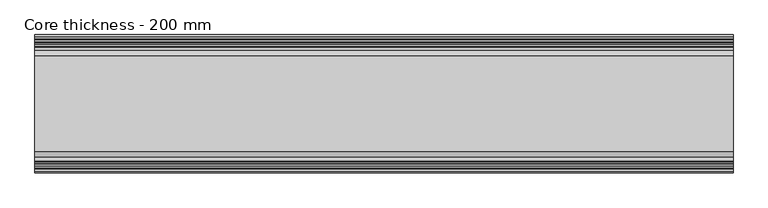
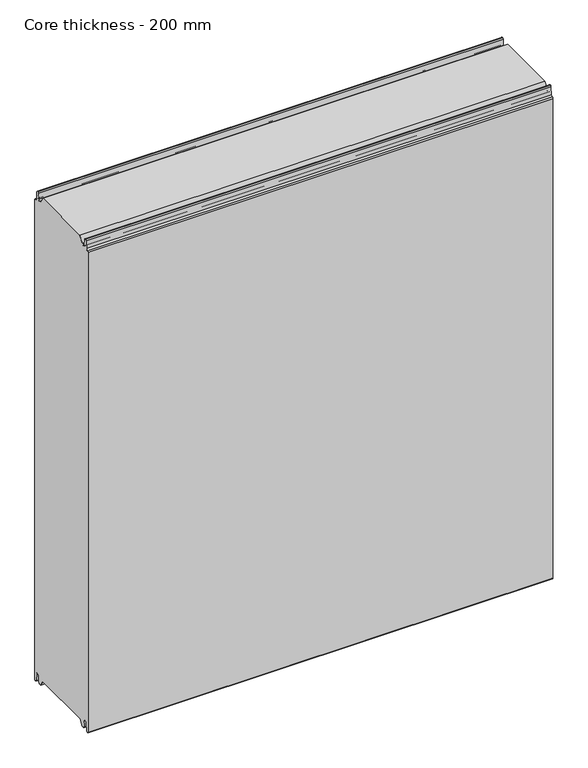
"""IFC4 building model written with IfcOpenShell, lengths in millimetres: plate geometry, Core thickness - 200 mm."""

import ifcopenshell
import ifcopenshell.guid

model = None  # the IFC model being written
_history = None  # IfcOwnerHistory: only IFC2X3 demands one
_inside = {}  # id of a spatial element -> (the spatial element, [elements in it])
_under = {}  # id of a project, library or spatial element -> (it, [spatial elements below it])
_declared = {}  # id of a project -> (the project, [libraries it declares])
_typed = {}  # id of a type object -> (the type object, [elements of that type])
_made_of = {}  # id of a material, layer set ... -> (it, [elements and type objects made of it])


def new_model(schema):
    """Start an empty IFC model of exactly this schema.

    Asked for "IFC4X3", IfcOpenShell would pick the latest addendum, in which some entities
    have other attributes; the version numbers below select the first issue.
    IFC2X3 requires an IfcOwnerHistory on every rooted entity: one is made here for all.
    """
    global model, _history
    if schema == "IFC4X3":
        model = ifcopenshell.file(schema_version=(4, 3, 0, 0))
    else:
        model = ifcopenshell.file(schema=schema)
    _inside.clear()
    _under.clear()
    _declared.clear()
    _typed.clear()
    _made_of.clear()
    _history = None
    if model.schema == "IFC2X3":
        org = make("IfcOrganization", Name="unknown")
        user = make(
            "IfcPersonAndOrganization",
            ThePerson=make("IfcPerson", FamilyName="unknown"),
            TheOrganization=org,
        )
        app = make(
            "IfcApplication",
            ApplicationDeveloper=org,
            Version="unknown",
            ApplicationFullName="unknown",
            ApplicationIdentifier="unknown",
        )
        _history = make(
            "IfcOwnerHistory",
            OwningUser=user,
            OwningApplication=app,
            ChangeAction="ADDED",
            CreationDate=0,
        )
    return model


def make(cls, **values):
    """One entity of the class cls with the attributes given. An attribute that is None is left unset."""
    return model.create_entity(
        cls, **{name: value for name, value in values.items() if value is not None}
    )


def rooted(cls, **values):
    """An entity with a GlobalId (a new one), such as an element, a storey or a relation."""
    return make(cls, GlobalId=ifcopenshell.guid.new(), OwnerHistory=_history, **values)


def si_unit(unit_type, name, prefix=None):
    """IfcSIUnit, for example si_unit("LENGTHUNIT", "METRE", prefix="MILLI")."""
    return make("IfcSIUnit", UnitType=unit_type, Prefix=prefix, Name=name)


def assignment(units):
    """IfcUnitAssignment: the units of a project."""
    return None if units is None else make("IfcUnitAssignment", Units=units)


def point(xyz):
    """IfcCartesianPoint."""
    return None if xyz is None else make("IfcCartesianPoint", Coordinates=xyz)


def direction(xyz):
    """IfcDirection."""
    return None if xyz is None else make("IfcDirection", DirectionRatios=xyz)


def frame(location, z_axis=None, x_axis=None):
    """IfcAxis2Placement3D, a coordinate frame: its origin and axes. An axis left out is left unset."""
    return make(
        "IfcAxis2Placement3D",
        Location=point(location),
        Axis=direction(z_axis),
        RefDirection=direction(x_axis),
    )


def origin():
    """The frame at (0, 0, 0) with its axes left unset."""
    return frame((0.0, 0.0, 0.0))


def place(relative_to, where):
    """IfcLocalPlacement: puts the frame where relative to a parent placement (None: the world)."""
    return make(
        "IfcLocalPlacement", PlacementRelTo=relative_to, RelativePlacement=where
    )


def context(
    kind, dimensions, precision=None, world=None, true_north=None, identifier=None
):
    """IfcGeometricRepresentationContext, for example the 3D "Model" context."""
    return make(
        "IfcGeometricRepresentationContext",
        ContextIdentifier=identifier,
        ContextType=kind,
        CoordinateSpaceDimension=dimensions,
        Precision=precision,
        WorldCoordinateSystem=world,
        TrueNorth=true_north,
    )


def project(units=None, contexts=None):
    """IfcProject with its units and contexts."""
    return rooted(
        "IfcProject",
        Name="project",
        RepresentationContexts=contexts,
        UnitsInContext=assignment(units),
    )


def spatial(cls, under=None, at=None, **own):
    """A site, building, storey or space (cls), placed at a placement, below another one or the project."""
    s = rooted(cls, ObjectPlacement=at, **own)
    if under is not None:
        _under.setdefault(under.id(), (under, []))[1].append(s)
    return s


def polyline(points):
    """IfcPolyline through the points."""
    return make("IfcPolyline", Points=[point(p) for p in points])


def circle_curve(where, radius):
    """IfcCircle in the frame where."""
    return make("IfcCircle", Position=where, Radius=radius)


def shape(context_of_items, identifier, shape_type, items):
    """IfcShapeRepresentation: the items that make up one representation, for example the "Body"."""
    return make(
        "IfcShapeRepresentation",
        ContextOfItems=context_of_items,
        RepresentationIdentifier=identifier,
        RepresentationType=shape_type,
        Items=items,
    )


def source(mapping_origin, context_of_items, identifier, shape_type, items):
    """IfcRepresentationMap: a shape defined once, which mapped items show again and again."""
    return make(
        "IfcRepresentationMap",
        MappingOrigin=mapping_origin,
        MappedRepresentation=shape(context_of_items, identifier, shape_type, items),
    )


def transform(
    local_origin,
    x_axis=None,
    y_axis=None,
    z_axis=None,
    scale=None,
    scale2=None,
    scale3=None,
    uniform=True,
):
    """IfcCartesianTransformationOperator3D, or its non-uniform kind. x_axis, y_axis, z_axis: its Axis1, 2, 3."""
    if uniform:
        return make(
            "IfcCartesianTransformationOperator3D",
            Axis1=direction(x_axis),
            Axis2=direction(y_axis),
            LocalOrigin=point(local_origin),
            Scale=scale,
            Axis3=direction(z_axis),
        )
    return make(
        "IfcCartesianTransformationOperator3DnonUniform",
        Axis1=direction(x_axis),
        Axis2=direction(y_axis),
        LocalOrigin=point(local_origin),
        Scale=scale,
        Axis3=direction(z_axis),
        Scale2=scale2,
        Scale3=scale3,
    )


def mapped(mapping_source, mapping_target):
    """IfcMappedItem: shows the shape of a source again, moved by a transform."""
    return make(
        "IfcMappedItem", MappingSource=mapping_source, MappingTarget=mapping_target
    )


def made_of(thing, what):
    """Note that an element or type object is made of a material, layer set ...; save() writes the relation."""
    if what is not None:
        _made_of.setdefault(what.id(), (what, []))[1].append(thing)
    return thing


def element(
    cls,
    number,
    at=None,
    inside=None,
    cuts=None,
    type_object=None,
    material=None,
    context=None,
    identifier="Body",
    shape_type=None,
    held_by="IfcProductDefinitionShape",
    body=None,
    shapes=None,
    **own,
):
    """One element of the class cls, such as IfcWall. Its Tag is "e" and its number.

    at: its placement. inside: the storey or other place that contains it. cuts: it is an
    opening in that element (IfcRelVoidsElement). A single representation is given by context,
    identifier, shape_type and body (its items); several are given by shapes. held_by: the class
    of the entity that holds the representations. save() writes the other relations.
    """
    e = rooted(cls, Tag="e%d" % number, ObjectPlacement=at, **own)
    if body is not None:
        shapes = [shape(context, identifier, shape_type, body)]
    if shapes is not None:
        e.Representation = make(held_by, Representations=shapes)
    if inside is not None:
        _inside.setdefault(inside.id(), (inside, []))[1].append(e)
    if cuts is not None:
        rooted(
            "IfcRelVoidsElement", RelatingBuildingElement=cuts, RelatedOpeningElement=e
        )
    if type_object is not None:
        _typed.setdefault(type_object.id(), (type_object, []))[1].append(e)
    return made_of(e, material)


def aggregate(whole, parts):
    """IfcRelAggregates: a whole, such as a stair, and the parts it consists of."""
    return rooted("IfcRelAggregates", RelatingObject=whole, RelatedObjects=parts)


def save(model, path):
    """Write the relations noted so far, then the file.

    IfcRelAggregates (storeys below a building ...), IfcRelContainedInSpatialStructure (elements
    in a storey), IfcRelDefinesByType, IfcRelAssociatesMaterial and IfcRelDeclares: one each for
    every whole, place, type object, material and project.
    """
    for whole, parts in _under.values():
        aggregate(whole, parts)
    for where, things in _inside.values():
        rooted(
            "IfcRelContainedInSpatialStructure",
            RelatedElements=things,
            RelatingStructure=where,
        )
    for kind, things in _typed.values():
        rooted("IfcRelDefinesByType", RelatedObjects=things, RelatingType=kind)
    for what, things in _made_of.values():
        rooted("IfcRelAssociatesMaterial", RelatedObjects=things, RelatingMaterial=what)
    for by, libraries in _declared.values():
        rooted("IfcRelDeclares", RelatingContext=by, RelatedDefinitions=libraries)
    model.write(path)


def plane_surface(at):
    """IfcPlane: the flat surface through the origin of the frame at, square to its z axis."""
    return make("IfcPlane", Position=at)


def cylinder_surface(at, radius):
    """IfcCylindricalSurface: all points at the distance radius from the z axis of the frame at."""
    return make("IfcCylindricalSurface", Position=at, Radius=radius)


def revolved_surface(curve, axis_point, axis_direction):
    """IfcSurfaceOfRevolution: the curve turned about the line through axis_point along axis_direction."""
    return make(
        "IfcSurfaceOfRevolution",
        SweptCurve=make("IfcArbitraryOpenProfileDef", ProfileType="CURVE", Curve=curve),
        AxisPosition=make("IfcAxis1Placement", Location=point(axis_point), Axis=direction(axis_direction)),
    )


def advanced_brep(points, edges, surfaces, faces):
    """IfcAdvancedBrep: a solid bounded by faces that lie on surfaces and meet in shared edges.

    An edge is (start, end): straight between two places in points (the first is 0);
    or (start, end, curve); or (start, end, curve, False) where it runs against its curve.
    A face is (place in surfaces, loops), or (place, loops, False) where it looks against
    its surface's normal. A loop lists edges by number (the first is 1), with a minus sign
    where the edge is run from its end to its start. The first loop is the outer one.
    """
    corners = [point(p) for p in points]
    vertices = [make("IfcVertexPoint", VertexGeometry=c) for c in corners]
    made = []
    for start, end, *more in edges:
        made.append(
            make(
                "IfcEdgeCurve",
                EdgeStart=vertices[start],
                EdgeEnd=vertices[end],
                EdgeGeometry=more[0] if more else make("IfcPolyline", Points=[corners[start], corners[end]]),
                SameSense=more[1] if len(more) > 1 else True,
            )
        )
    hull = []
    for where, loops, *sense in faces:
        bounds = []
        for j, loop in enumerate(loops):
            ring = [make("IfcOrientedEdge", EdgeElement=made[abs(k) - 1], Orientation=k > 0) for k in loop]
            bounds.append(
                make(
                    "IfcFaceOuterBound" if j == 0 else "IfcFaceBound",
                    Bound=make("IfcEdgeLoop", EdgeList=ring),
                    Orientation=True,
                )
            )
        hull.append(make("IfcAdvancedFace", Bounds=bounds, FaceSurface=surfaces[where], SameSense=sense[0] if sense else True))
    return make("IfcAdvancedBrep", Outer=make("IfcClosedShell", CfsFaces=hull))


def core_thickness_200_mm_b2f152c4(model_context):
    return source(origin(), model_context, "Body", "AdvancedBrep", [
        advanced_brep(
        [(500.0000002, -169.873448, 15.0417681), (500.0000002, -30.126552, 15.0417681), (500.0000002, -23.4086055, 3.0684055), (500.0000002, -17.4169005, 3.0684055), (500.0000002, -19.6169005, 5.265779), (500.0000002, -18.8169005, 5.265779), (500.0000002, -16.0235822, 5.1291629), (500.0000002, -14.6379549, 19.2608832), (500.0000002, -10.8223285, 22.6899182), (500.0000002, -7.0067021, 19.2608832), (500.0000002, -5.3893281, 2.7656275), (500.0000002, -0.8003051, 2.9900682), (500.0000002, -0.8, 1093.8000005), (500.0000002, -3.3660185, 1096.1942726), (500.0000002, -6.8790665, 1099.1779769), (500.0000002, -8.5415667, 1116.1334653), (500.0000002, -10.8223285, 1118.1999998), (500.0000002, -13.1030903, 1116.1334653), (500.0000002, -14.4357929, 1102.5415123), (500.0000002, -17.0233841, 1100.1952279), (500.0000002, -18.1003051, 1100.1952279), (500.0000002, -18.7003051, 1099.5952279), (500.0000002, -18.7003051, 1098.4952279), (500.0000002, -19.5003051, 1098.4952279), (500.0000002, -19.5003051, 1099.5952279), (500.0000002, -18.1003051, 1100.9952279), (500.0000002, -19.5003051, 1100.9952279), (500.0000002, -23.1062917, 1100.9952279), (500.0000002, -31.1628062, 1115.044651), (500.0000002, -168.7531937, 1115.044651), (500.0000002, -176.8937083, 1100.9952279), (500.0000002, -180.4996949, 1100.9952279), (500.0000002, -181.8996949, 1100.9952279), (500.0000002, -180.4996949, 1099.5952279), (500.0000002, -180.4996949, 1098.4952279), (500.0000002, -181.2996949, 1098.4952279), (500.0000002, -181.2996949, 1099.5952279), (500.0000002, -181.8996949, 1100.1952279), (500.0000002, -182.9766159, 1100.1952279), (500.0000002, -185.5642071, 1102.5415123), (500.0000002, -186.8969097, 1116.1334653), (500.0000002, -189.1776715, 1118.1999998), (500.0000002, -191.4584333, 1116.1334653), (500.0000002, -193.1209335, 1099.1779769), (500.0000002, -196.6330399, 1096.2078763), (500.0000002, -199.1996949, 1093.8000005), (500.0000002, -199.2, 2.9900682), (500.0000002, -194.6106719, 2.7656275), (500.0000002, -192.9932979, 19.2608832), (500.0000002, -189.1776715, 22.6899182), (500.0000002, -185.3620451, 19.2608832), (500.0000002, -183.9764178, 5.1291629), (500.0000002, -181.1830995, 5.265779), (500.0000002, -180.3830995, 5.265779), (500.0000002, -182.5830995, 3.065779), (500.0000002, -176.5913945, 3.0684055), (-500.0000002, -176.8937083, 1100.9952279), (-500.0000002, -168.7531937, 1115.044651), (-500.0000002, -31.1628062, 1115.044651), (-500.0000002, -23.1062917, 1100.9952279), (-500.0000002, -19.5003051, 1100.9952279), (-500.0000002, -18.1003051, 1100.9952279), (-500.0000002, -19.5003051, 1099.5952279), (-500.0000002, -19.5003051, 1098.4952279), (-500.0000002, -18.7003051, 1098.4952279), (-500.0000002, -18.7003051, 1099.5952279), (-500.0000002, -18.1003051, 1100.1952279), (-500.0000002, -17.0233841, 1100.1952279), (-500.0000002, -14.4357929, 1102.5415123), (-500.0000002, -13.1030903, 1116.1334653), (-500.0000002, -10.8223285, 1118.1999998), (-500.0000002, -8.5415667, 1116.1334653), (-500.0000002, -6.8790665, 1099.1779769), (-500.0000002, -3.3669601, 1096.2078763), (-500.0000002, -0.8003051, 1093.8000005), (-500.0000002, -0.8, 2.9900682), (-500.0000002, -5.3893281, 2.7656275), (-500.0000002, -7.0067021, 19.2608832), (-500.0000002, -10.8223285, 22.6899182), (-500.0000002, -14.6379549, 19.2608832), (-500.0000002, -16.0235822, 5.1291629), (-500.0000002, -18.8169005, 5.265779), (-500.0000002, -19.6169005, 5.265779), (-500.0000002, -17.4169005, 3.065779), (-500.0000002, -23.4086055, 3.0684055), (-500.0000002, -30.126552, 15.0417681), (-500.0000002, -169.873448, 15.0417681), (-500.0000002, -176.5913945, 3.0684055), (-500.0000002, -182.5830995, 3.0684055), (-500.0000002, -180.3830995, 5.265779), (-500.0000002, -181.1830995, 5.265779), (-500.0000002, -183.9764178, 5.1291629), (-500.0000002, -185.3620451, 19.2608832), (-500.0000002, -189.1776715, 22.6899182), (-500.0000002, -192.9932979, 19.2608832), (-500.0000002, -194.6106719, 2.7656275), (-500.0000002, -199.1996949, 2.9900682), (-500.0000002, -199.2, 1093.8000005), (-500.0000002, -196.6339815, 1096.1942726), (-500.0000002, -193.1209335, 1099.1779769), (-500.0000002, -191.4584333, 1116.1334653), (-500.0000002, -189.1776715, 1118.1999998), (-500.0000002, -186.8969097, 1116.1334653), (-500.0000002, -185.5642071, 1102.5415123), (-500.0000002, -182.9766159, 1100.1952279), (-500.0000002, -181.8996949, 1100.1952279), (-500.0000002, -181.2996949, 1099.5952279), (-500.0000002, -181.2996949, 1098.4952279), (-500.0000002, -180.4996949, 1098.4952279), (-500.0000002, -180.4996949, 1099.5952279), (-500.0000002, -181.8996949, 1100.9952279), (-500.0000002, -180.4996949, 1100.9952279)],
        [
            (0, 1),
            (1, 2),
            (2, 3),
            (3, 4, circle_curve(frame((500.0000002, -17.4169005, 5.265779), z_axis=(-1.0, 0.0, 0.0), x_axis=(0.0, 0.0, -1.0)), 2.2)),
            (4, 5),
            (5, 6, circle_curve(frame((500.0000002, -17.4169005, 5.265779), z_axis=(1.0, 0.0, 0.0), x_axis=(0.0, 0.0, -1.0)), 1.4)),
            (6, 7),
            (7, 8, circle_curve(frame((500.0000002, -10.8560907, 18.8900682), z_axis=(-1.0, 0.0, 0.0), x_axis=(0.0, 0.0, -1.0)), 3.8)),
            (8, 9, circle_curve(frame((500.0000002, -10.7885662, 18.8900682), z_axis=(-1.0, 0.0, 0.0), x_axis=(0.0, 0.0, -1.0)), 3.8)),
            (9, 10),
            (10, 11, circle_curve(frame((500.0000002, -3.1003051, 2.9900682), z_axis=(1.0, 0.0, 0.0), x_axis=(0.0, 0.0, -1.0)), 2.3)),
            (11, 12),
            (12, 13, circle_curve(frame((500.0000002, -3.2003051, 1093.8000005), z_axis=(1.0, 0.0, 0.0), x_axis=(0.0, 0.0, -1.0)), 2.4)),
            (13, 14, circle_curve(frame((500.0000002, -3.5948161, 1099.5000005), z_axis=(-1.0, 0.0, 0.0), x_axis=(0.0, 0.0, -1.0)), 3.3)),
            (14, 15),
            (15, 16, circle_curve(frame((500.0000002, -10.8206374, 1115.9100005), z_axis=(1.0, 0.0, 0.0), x_axis=(0.0, 0.0, -1.0)), 2.29)),
            (16, 17, circle_curve(frame((500.0000002, -10.8240195, 1115.9100005), z_axis=(1.0, 0.0, 0.0), x_axis=(0.0, 0.0, -1.0)), 2.29)),
            (17, 18),
            (18, 19, circle_curve(frame((500.0000002, -17.0233841, 1102.7952279), z_axis=(-1.0, 0.0, 0.0), x_axis=(0.0, 0.0, -1.0)), 2.6)),
            (19, 20),
            (20, 21, circle_curve(frame((500.0000002, -18.1003051, 1099.5952279), z_axis=(1.0, 0.0, 0.0), x_axis=(0.0, 0.0, -1.0)), 0.6)),
            (21, 22),
            (22, 23),
            (23, 24),
            (24, 25, circle_curve(frame((500.0000002, -18.1003051, 1099.5952279), z_axis=(-1.0, 0.0, 0.0), x_axis=(0.0, 0.0, -1.0)), 1.4)),
            (25, 26),
            (26, 27),
            (27, 28),
            (28, 29),
            (29, 30),
            (30, 31),
            (31, 32),
            (32, 33, circle_curve(frame((500.0000002, -181.8996949, 1099.5952279), z_axis=(-1.0, 0.0, 0.0), x_axis=(0.0, 0.0, -1.0)), 1.4)),
            (33, 34),
            (34, 35),
            (35, 36),
            (36, 37, circle_curve(frame((500.0000002, -181.8996949, 1099.5952279), z_axis=(1.0, 0.0, 0.0), x_axis=(0.0, 0.0, -1.0)), 0.6)),
            (37, 38),
            (38, 39, circle_curve(frame((500.0000002, -182.9766159, 1102.7952279), z_axis=(-1.0, 0.0, 0.0), x_axis=(0.0, 0.0, -1.0)), 2.6)),
            (39, 40),
            (40, 41, circle_curve(frame((500.0000002, -189.1759805, 1115.9100005), z_axis=(1.0, 0.0, 0.0), x_axis=(0.0, 0.0, -1.0)), 2.29)),
            (41, 42, circle_curve(frame((500.0000002, -189.1793626, 1115.9100005), z_axis=(1.0, 0.0, 0.0), x_axis=(0.0, 0.0, -1.0)), 2.29)),
            (42, 43),
            (43, 44, circle_curve(frame((500.0000002, -196.4051839, 1099.5000005), z_axis=(-1.0, 0.0, 0.0), x_axis=(0.0, 0.0, -1.0)), 3.3)),
            (44, 45, circle_curve(frame((500.0000002, -196.7996949, 1093.8000005), z_axis=(1.0, 0.0, 0.0), x_axis=(0.0, 0.0, -1.0)), 2.4)),
            (45, 46),
            (46, 47, circle_curve(frame((500.0000002, -196.8996949, 2.9900682), z_axis=(1.0, 0.0, 0.0), x_axis=(0.0, 0.0, -1.0)), 2.3)),
            (47, 48),
            (48, 49, circle_curve(frame((500.0000002, -189.2114338, 18.8900682), z_axis=(-1.0, 0.0, 0.0), x_axis=(0.0, 0.0, -1.0)), 3.8)),
            (49, 50, circle_curve(frame((500.0000002, -189.1439093, 18.8900682), z_axis=(-1.0, 0.0, 0.0), x_axis=(0.0, 0.0, -1.0)), 3.8)),
            (50, 51),
            (51, 52, circle_curve(frame((500.0000002, -182.5830995, 5.265779), z_axis=(1.0, 0.0, 0.0), x_axis=(0.0, 0.0, -1.0)), 1.4)),
            (52, 53),
            (53, 54, circle_curve(frame((500.0000002, -182.5830995, 5.265779), z_axis=(-1.0, 0.0, 0.0), x_axis=(0.0, 0.0, -1.0)), 2.2)),
            (54, 55),
            (55, 0),
            (56, 57),
            (57, 58),
            (58, 59),
            (59, 60),
            (60, 61),
            (61, 62, circle_curve(frame((-500.0000002, -18.1003051, 1099.5952279), z_axis=(1.0, 0.0, 0.0), x_axis=(0.0, 0.0, -1.0)), 1.4)),
            (62, 63),
            (63, 64),
            (64, 65),
            (65, 66, circle_curve(frame((-500.0000002, -18.1003051, 1099.5952279), z_axis=(-1.0, 0.0, 0.0), x_axis=(0.0, 0.0, -1.0)), 0.6)),
            (66, 67),
            (67, 68, circle_curve(frame((-500.0000002, -17.0233841, 1102.7952279), z_axis=(1.0, 0.0, 0.0), x_axis=(0.0, 0.0, -1.0)), 2.6)),
            (68, 69),
            (69, 70, circle_curve(frame((-500.0000002, -10.8240195, 1115.9100005), z_axis=(-1.0, 0.0, 0.0), x_axis=(0.0, 0.0, -1.0)), 2.29)),
            (70, 71, circle_curve(frame((-500.0000002, -10.8206374, 1115.9100005), z_axis=(-1.0, 0.0, 0.0), x_axis=(0.0, 0.0, -1.0)), 2.29)),
            (71, 72),
            (72, 73, circle_curve(frame((-500.0000002, -3.5948161, 1099.5000005), z_axis=(1.0, 0.0, 0.0), x_axis=(0.0, 0.0, -1.0)), 3.3)),
            (73, 74, circle_curve(frame((-500.0000002, -3.2003051, 1093.8000005), z_axis=(-1.0, 0.0, 0.0), x_axis=(0.0, 0.0, -1.0)), 2.4)),
            (74, 75),
            (75, 76, circle_curve(frame((-500.0000002, -3.1003051, 2.9900682), z_axis=(-1.0, 0.0, 0.0), x_axis=(0.0, 0.0, -1.0)), 2.3)),
            (76, 77),
            (77, 78, circle_curve(frame((-500.0000002, -10.7885662, 18.8900682), z_axis=(1.0, 0.0, 0.0), x_axis=(0.0, 0.0, -1.0)), 3.8)),
            (78, 79, circle_curve(frame((-500.0000002, -10.8560907, 18.8900682), z_axis=(1.0, 0.0, 0.0), x_axis=(0.0, 0.0, -1.0)), 3.8)),
            (79, 80),
            (80, 81, circle_curve(frame((-500.0000002, -17.4169005, 5.265779), z_axis=(-1.0, 0.0, 0.0), x_axis=(0.0, 0.0, -1.0)), 1.4)),
            (81, 82),
            (82, 83, circle_curve(frame((-500.0000002, -17.4169005, 5.265779), z_axis=(1.0, 0.0, 0.0), x_axis=(0.0, 0.0, -1.0)), 2.2)),
            (83, 84),
            (84, 85),
            (85, 86),
            (86, 87),
            (87, 88),
            (88, 89, circle_curve(frame((-500.0000002, -182.5830995, 5.265779), z_axis=(1.0, 0.0, 0.0), x_axis=(0.0, 0.0, -1.0)), 2.2)),
            (89, 90),
            (90, 91, circle_curve(frame((-500.0000002, -182.5830995, 5.265779), z_axis=(-1.0, 0.0, 0.0), x_axis=(0.0, 0.0, -1.0)), 1.4)),
            (91, 92),
            (92, 93, circle_curve(frame((-500.0000002, -189.1439093, 18.8900682), z_axis=(1.0, 0.0, 0.0), x_axis=(0.0, 0.0, -1.0)), 3.8)),
            (93, 94, circle_curve(frame((-500.0000002, -189.2114338, 18.8900682), z_axis=(1.0, 0.0, 0.0), x_axis=(0.0, 0.0, -1.0)), 3.8)),
            (94, 95),
            (95, 96, circle_curve(frame((-500.0000002, -196.8996949, 2.9900682), z_axis=(-1.0, 0.0, 0.0), x_axis=(0.0, 0.0, -1.0)), 2.3)),
            (96, 97),
            (97, 98, circle_curve(frame((-500.0000002, -196.7996949, 1093.8000005), z_axis=(-1.0, 0.0, 0.0), x_axis=(0.0, 0.0, -1.0)), 2.4)),
            (98, 99, circle_curve(frame((-500.0000002, -196.4051839, 1099.5000005), z_axis=(1.0, 0.0, 0.0), x_axis=(0.0, 0.0, -1.0)), 3.3)),
            (99, 100),
            (100, 101, circle_curve(frame((-500.0000002, -189.1793626, 1115.9100005), z_axis=(-1.0, 0.0, 0.0), x_axis=(0.0, 0.0, -1.0)), 2.29)),
            (101, 102, circle_curve(frame((-500.0000002, -189.1759805, 1115.9100005), z_axis=(-1.0, 0.0, 0.0), x_axis=(0.0, 0.0, -1.0)), 2.29)),
            (102, 103),
            (103, 104, circle_curve(frame((-500.0000002, -182.9766159, 1102.7952279), z_axis=(1.0, 0.0, 0.0), x_axis=(0.0, 0.0, -1.0)), 2.6)),
            (104, 105),
            (105, 106, circle_curve(frame((-500.0000002, -181.8996949, 1099.5952279), z_axis=(-1.0, 0.0, 0.0), x_axis=(0.0, 0.0, -1.0)), 0.6)),
            (106, 107),
            (107, 108),
            (108, 109),
            (109, 110, circle_curve(frame((-500.0000002, -181.8996949, 1099.5952279), z_axis=(1.0, 0.0, 0.0), x_axis=(0.0, 0.0, -1.0)), 1.4)),
            (110, 111),
            (111, 56),
            (30, 56),
            (110, 32),
            (29, 57),
            (28, 58),
            (27, 59),
            (25, 61),
            (1, 85),
            (84, 2),
            (0, 86),
            (55, 87),
            (83, 3),
            (54, 88),
            (109, 33),
            (108, 34),
            (107, 35),
            (106, 36),
            (105, 37),
            (104, 38),
            (103, 39),
            (102, 40),
            (101, 41),
            (100, 42),
            (99, 43),
            (98, 44),
            (97, 45),
            (96, 46),
            (95, 47),
            (94, 48),
            (93, 49),
            (92, 50),
            (91, 51),
            (90, 52),
            (89, 53),
            (74, 12),
            (11, 75),
            (73, 13),
            (72, 14),
            (71, 15),
            (70, 16),
            (69, 17),
            (68, 18),
            (67, 19),
            (66, 20),
            (65, 21),
            (64, 22),
            (63, 23),
            (62, 24),
            (82, 4),
            (81, 5),
            (80, 6),
            (79, 7),
            (78, 8),
            (77, 9),
            (76, 10),
        ],
        [
            plane_surface(frame((500.0000002, 0.0, 0.0), z_axis=(1.0, 0.0, 0.0), x_axis=(0.0, -1.0, 0.0))),
            plane_surface(frame((-500.0000002, 0.0, 0.0), z_axis=(-1.0, 0.0, 0.0), x_axis=(0.0, -1.0, 0.0))),
            plane_surface(frame((500.0000002, -176.8937083, 1100.9952279), z_axis=(0.0, 0.0, 1.0), x_axis=(-1.0, 0.0, 0.0))),
            plane_surface(frame((500.0000002, -168.7531937, 1115.044651), z_axis=(0.0, -0.8652489672717159, 0.5013424225369615), x_axis=(-1.0, 0.0, 0.0))),
            plane_surface(frame((500.0000002, -31.1628062, 1115.044651), z_axis=(0.0, 0.0, 1.0), x_axis=(-1.0, 0.0, 0.0))),
            plane_surface(frame((500.0000002, -23.1062917, 1100.9952279), z_axis=(0.0, 0.8674901459133322, 0.4974543664933155), x_axis=(-1.0, 0.0, 0.0))),
            plane_surface(frame((500.0000002, -17.0229218, 1100.9952279), z_axis=(0.0, 0.0, 1.0), x_axis=(-1.0, 0.0, 0.0))),
            plane_surface(frame((500.0000002, -30.126552, 15.0417681), z_axis=(0.0, -0.8721062992196836, -0.4893164649399687), x_axis=(-1.0, 0.0, 0.0))),
            plane_surface(frame((500.0000002, -169.873448, 15.0417681), z_axis=(0.0, 0.0, -1.0), x_axis=(-1.0, 0.0, 0.0))),
            plane_surface(frame((500.0000002, -176.8190247, 2.6627014), z_axis=(0.0, 0.8721062992196872, -0.4893164649399624), x_axis=(-1.0, 0.0, 0.0))),
            plane_surface(frame((-500.0000002, -182.5830995, 3.0684055), z_axis=(0.0, 0.0, -1.0), x_axis=(1.0, 0.0, 0.0))),
            revolved_surface(polyline([(500.0000002, -181.8996949, 1098.1952279), (-500.00000020000004, -181.8996949, 1098.1952279)]), (630.0000002, -181.8996949, 1099.5952279), (1.0, 0.0, 0.0)),
            plane_surface(frame((630.0000002, -180.4996949, 1098.4952279), z_axis=(0.0, -1.0, 0.0), x_axis=(-1.0, 0.0, 0.0))),
            plane_surface(frame((630.0000002, -181.2996949, 1098.4952279), z_axis=(0.0, 0.0, 1.0), x_axis=(-1.0, 0.0, 0.0))),
            plane_surface(frame((630.0000002, -181.2996949, 1099.5952279), z_axis=(0.0, 1.0, 0.0), x_axis=(-1.0, 0.0, 0.0))),
            cylinder_surface(frame((630.0000002, -181.8996949, 1099.5952279), z_axis=(-1.0, 0.0, 0.0), x_axis=(0.0, 0.0, -1.0)), 0.6),
            plane_surface(frame((630.0000002, -182.9766159, 1100.1952279), z_axis=(0.0, 0.0, 1.0), x_axis=(-1.0, 0.0, 0.0))),
            revolved_surface(polyline([(500.0000002, -182.9766159, 1100.1952279000002), (-500.00000020000004, -182.9766159, 1100.1952279000002)]), (630.0000002, -182.9766159, 1102.7952279), (1.0, 0.0, 0.0)),
            plane_surface(frame((630.0000002, -186.8969097, 1116.1334653), z_axis=(0.0, 0.9952273999818314, 0.09758289975914705), x_axis=(-1.0, 0.0, 0.0))),
            cylinder_surface(frame((630.0000002, -189.1759805, 1115.9100005), z_axis=(-1.0, 0.0, 0.0), x_axis=(0.0, 0.0, -1.0)), 2.29),
            cylinder_surface(frame((630.0000002, -189.1793626, 1115.9100005), z_axis=(-1.0, 0.0, 0.0), x_axis=(0.0, 0.0, -1.0)), 2.29),
            plane_surface(frame((630.0000002, -193.1209335, 1099.1779769), z_axis=(0.0, -0.9952273999818317, 0.09758289975914436), x_axis=(-1.0, 0.0, 0.0))),
            revolved_surface(polyline([(500.0000002, -196.4051839, 1096.2000005), (-500.00000020000004, -196.4051839, 1096.2000005)]), (630.0000002, -196.4051839, 1099.5000005), (1.0, 0.0, 0.0)),
            cylinder_surface(frame((630.0000002, -196.7996949, 1093.8000005), z_axis=(-1.0, 0.0, 0.0), x_axis=(0.0, 0.0, -1.0)), 2.4),
            plane_surface(frame((630.0000002, -199.2, 2.9900682), z_axis=(0.0, -1.0, 0.0), x_axis=(-1.0, 0.0, 0.0))),
            cylinder_surface(frame((630.0000002, -196.8996949, 2.9900682), z_axis=(-1.0, 0.0, 0.0), x_axis=(0.0, 0.0, -1.0)), 2.3),
            plane_surface(frame((630.0000002, -192.9932979, 19.2608832), z_axis=(0.0, 0.9952273999818314, -0.09758289975914787), x_axis=(-1.0, 0.0, 0.0))),
            revolved_surface(polyline([(500.0000002, -189.2114338, 15.090068200000001), (-500.00000020000004, -189.2114338, 15.090068200000001)]), (630.0000002, -189.2114338, 18.8900682), (1.0, 0.0, 0.0)),
            revolved_surface(polyline([(500.0000002, -189.1439093, 15.090068200000001), (-500.00000020000004, -189.1439093, 15.090068200000001)]), (630.0000002, -189.1439093, 18.8900682), (1.0, 0.0, 0.0)),
            plane_surface(frame((630.0000002, -183.9764178, 5.1291629), z_axis=(0.0, -0.9952273999818297, -0.09758289975916531), x_axis=(-1.0, 0.0, 0.0))),
            cylinder_surface(frame((630.0000002, -182.5830995, 5.265779), z_axis=(-1.0, 0.0, 0.0), x_axis=(0.0, 0.0, -1.0)), 1.4),
            plane_surface(frame((630.0000002, -180.3830995, 5.265779), z_axis=(0.0, 0.0, -1.0), x_axis=(-1.0, 0.0, 0.0))),
            revolved_surface(polyline([(500.0000002, -182.5830995, 3.065779), (-500.00000020000004, -182.5830995, 3.065779)]), (630.0000002, -182.5830995, 5.265779), (1.0, 0.0, 0.0)),
            plane_surface(frame((630.0000002, -0.8, 1093.8000005), z_axis=(0.0, 1.0, 0.0), x_axis=(-1.0, 0.0, 0.0))),
            cylinder_surface(frame((630.0000002, -3.2003051, 1093.8000005), z_axis=(-1.0, 0.0, 0.0), x_axis=(0.0, 0.0, -1.0)), 2.4),
            revolved_surface(polyline([(500.0000002, -3.5948161, 1096.2000005), (-500.00000020000004, -3.5948161, 1096.2000005)]), (630.0000002, -3.5948161, 1099.5000005), (1.0, 0.0, 0.0)),
            plane_surface(frame((630.0000002, -8.5415667, 1116.1334653), z_axis=(0.0, 0.9952273999818317, 0.09758289975914436), x_axis=(-1.0, 0.0, 0.0))),
            cylinder_surface(frame((630.0000002, -10.8206374, 1115.9100005), z_axis=(-1.0, 0.0, 0.0), x_axis=(0.0, 0.0, -1.0)), 2.29),
            cylinder_surface(frame((630.0000002, -10.8240195, 1115.9100005), z_axis=(-1.0, 0.0, 0.0), x_axis=(0.0, 0.0, -1.0)), 2.29),
            plane_surface(frame((630.0000002, -14.4357929, 1102.5415123), z_axis=(0.0, -0.9952273999818314, 0.09758289975914705), x_axis=(-1.0, 0.0, 0.0))),
            revolved_surface(polyline([(500.0000002, -17.0233841, 1100.1952279000002), (-500.00000020000004, -17.0233841, 1100.1952279000002)]), (630.0000002, -17.0233841, 1102.7952279), (1.0, 0.0, 0.0)),
            plane_surface(frame((630.0000002, -18.1003051, 1100.1952279), z_axis=(0.0, 0.0, 1.0), x_axis=(-1.0, 0.0, 0.0))),
            cylinder_surface(frame((630.0000002, -18.1003051, 1099.5952279), z_axis=(-1.0, 0.0, 0.0), x_axis=(0.0, 0.0, -1.0)), 0.6),
            plane_surface(frame((630.0000002, -18.7003051, 1098.4952279), z_axis=(0.0, -1.0, 0.0), x_axis=(-1.0, 0.0, 0.0))),
            plane_surface(frame((630.0000002, -19.5003051, 1098.4952279), z_axis=(0.0, 0.0, 1.0), x_axis=(-1.0, 0.0, 0.0))),
            plane_surface(frame((630.0000002, -19.5003051, 1099.5952279), z_axis=(0.0, 1.0, 0.0), x_axis=(-1.0, 0.0, 0.0))),
            revolved_surface(polyline([(500.0000002, -18.1003051, 1098.1952279), (-500.00000020000004, -18.1003051, 1098.1952279)]), (630.0000002, -18.1003051, 1099.5952279), (1.0, 0.0, 0.0)),
            revolved_surface(polyline([(500.0000002, -17.4169005, 3.065779), (-500.00000020000004, -17.4169005, 3.065779)]), (630.0000002, -17.4169005, 5.265779), (1.0, 0.0, 0.0)),
            plane_surface(frame((630.0000002, -18.8169005, 5.265779), z_axis=(0.0, 0.0, -1.0), x_axis=(-1.0, 0.0, 0.0))),
            cylinder_surface(frame((630.0000002, -17.4169005, 5.265779), z_axis=(-1.0, 0.0, 0.0), x_axis=(0.0, 0.0, -1.0)), 1.4),
            plane_surface(frame((630.0000002, -14.6379549, 19.2608832), z_axis=(0.0, 0.9952273999818297, -0.09758289975916531), x_axis=(-1.0, 0.0, 0.0))),
            revolved_surface(polyline([(500.0000002, -10.8560907, 15.090068200000001), (-500.00000020000004, -10.8560907, 15.090068200000001)]), (630.0000002, -10.8560907, 18.8900682), (1.0, 0.0, 0.0)),
            revolved_surface(polyline([(500.0000002, -10.7885662, 15.090068200000001), (-500.00000020000004, -10.7885662, 15.090068200000001)]), (630.0000002, -10.7885662, 18.8900682), (1.0, 0.0, 0.0)),
            plane_surface(frame((630.0000002, -5.3893281, 2.7656275), z_axis=(0.0, -0.9952273999818314, -0.09758289975914787), x_axis=(-1.0, 0.0, 0.0))),
            cylinder_surface(frame((630.0000002, -3.1003051, 2.9900682), z_axis=(-1.0, 0.0, 0.0), x_axis=(0.0, 0.0, -1.0)), 2.3),
        ],
        [
            (0, [[1, 2, 3, 4, 5, 6, 7, 8, 9, 10, 11, 12, 13, 14, 15, 16, 17, 18, 19, 20, 21, 22, 23, 24, 25, 26, 27, 28, 29, 30, 31, 32, 33, 34, 35, 36, 37, 38, 39, 40, 41, 42, 43, 44, 45, 46, 47, 48, 49, 50, 51, 52, 53, 54, 55, 56]]),
            (1, [[57, 58, 59, 60, 61, 62, 63, 64, 65, 66, 67, 68, 69, 70, 71, 72, 73, 74, 75, 76, 77, 78, 79, 80, 81, 82, 83, 84, 85, 86, 87, 88, 89, 90, 91, 92, 93, 94, 95, 96, 97, 98, 99, 100, 101, 102, 103, 104, 105, 106, 107, 108, 109, 110, 111, 112]]),
            (2, [[113, -112, -111, 114, -32, -31]]),
            (3, [[-30, 115, -57, -113]]),
            (4, [[-29, 116, -58, -115]]),
            (5, [[-28, 117, -59, -116]]),
            (6, [[-117, -27, -26, 118, -61, -60]]),
            (7, [[119, -85, 120, -2]]),
            (8, [[-1, 121, -86, -119]]),
            (9, [[-121, -56, 122, -87]]),
            (10, [[-3, -120, -84, 123]]),
            (10, [[-55, 124, -88, -122]]),
            (11, [[125, -33, -114, -110]]),
            (12, [[-125, -109, 126, -34]]),
            (13, [[-126, -108, 127, -35]]),
            (14, [[-127, -107, 128, -36]]),
            (15, [[-128, -106, 129, -37]]),
            (16, [[-129, -105, 130, -38]]),
            (17, [[-130, -104, 131, -39]]),
            (18, [[-131, -103, 132, -40]]),
            (19, [[-132, -102, 133, -41]]),
            (20, [[-133, -101, 134, -42]]),
            (21, [[-134, -100, 135, -43]]),
            (22, [[-135, -99, 136, -44]]),
            (23, [[-136, -98, 137, -45]]),
            (24, [[-137, -97, 138, -46]]),
            (25, [[-138, -96, 139, -47]]),
            (26, [[-139, -95, 140, -48]]),
            (27, [[-140, -94, 141, -49]]),
            (28, [[-141, -93, 142, -50]]),
            (29, [[-142, -92, 143, -51]]),
            (30, [[-143, -91, 144, -52]]),
            (31, [[-144, -90, 145, -53]]),
            (32, [[-145, -89, -124, -54]]),
            (33, [[146, -12, 147, -75]]),
            (34, [[-146, -74, 148, -13]]),
            (35, [[-148, -73, 149, -14]]),
            (36, [[-149, -72, 150, -15]]),
            (37, [[-150, -71, 151, -16]]),
            (38, [[-151, -70, 152, -17]]),
            (39, [[-152, -69, 153, -18]]),
            (40, [[-153, -68, 154, -19]]),
            (41, [[-154, -67, 155, -20]]),
            (42, [[-155, -66, 156, -21]]),
            (43, [[-156, -65, 157, -22]]),
            (44, [[-157, -64, 158, -23]]),
            (45, [[-158, -63, 159, -24]]),
            (46, [[-159, -62, -118, -25]]),
            (47, [[160, -4, -123, -83]]),
            (48, [[-160, -82, 161, -5]]),
            (49, [[-161, -81, 162, -6]]),
            (50, [[-162, -80, 163, -7]]),
            (51, [[-163, -79, 164, -8]]),
            (52, [[-164, -78, 165, -9]]),
            (53, [[-165, -77, 166, -10]]),
            (54, [[-166, -76, -147, -11]]),
        ],
    ),
    ])


if __name__ == "__main__":
    model = new_model("IFC4")
    model_context = context("Model", 3, world=origin())
    ifc_project = project(units=[si_unit("LENGTHUNIT", "METRE", prefix="MILLI")], contexts=[model_context])
    site = spatial("IfcSite", under=ifc_project)
    building = spatial("IfcBuilding", under=site)
    placement = place(None, origin())
    core_thickness_200_mm_shape = core_thickness_200_mm_b2f152c4(model_context)
    element("IfcPlate", 1, ObjectType="Core thickness - 200 mm", at=placement, inside=building, context=model_context, shape_type="MappedRepresentation", body=[
        mapped(core_thickness_200_mm_shape, transform((0.0, 0.0, 0.0), x_axis=(1.0, 0.0, 0.0), y_axis=(0.0, 1.0, 0.0), z_axis=(0.0, 0.0, 1.0))),
    ])
    save(model, "model.ifc")
